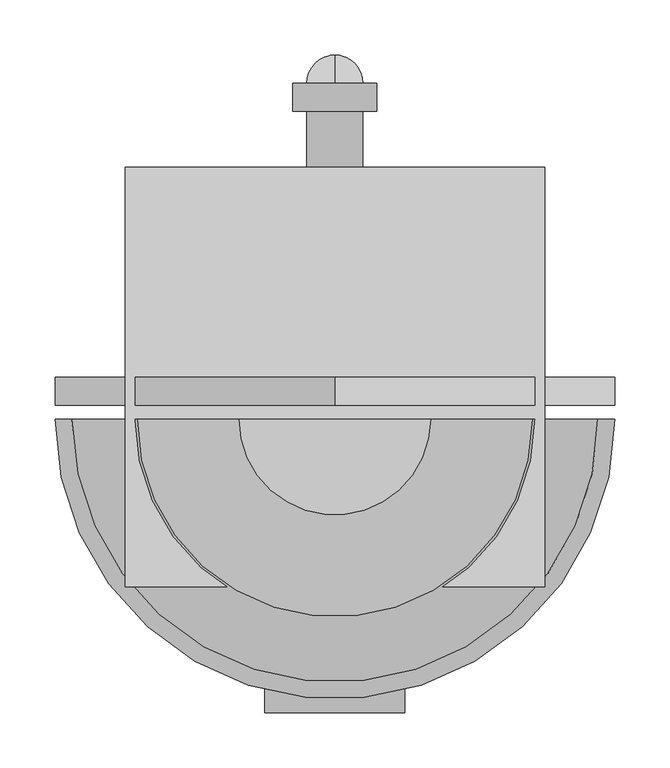
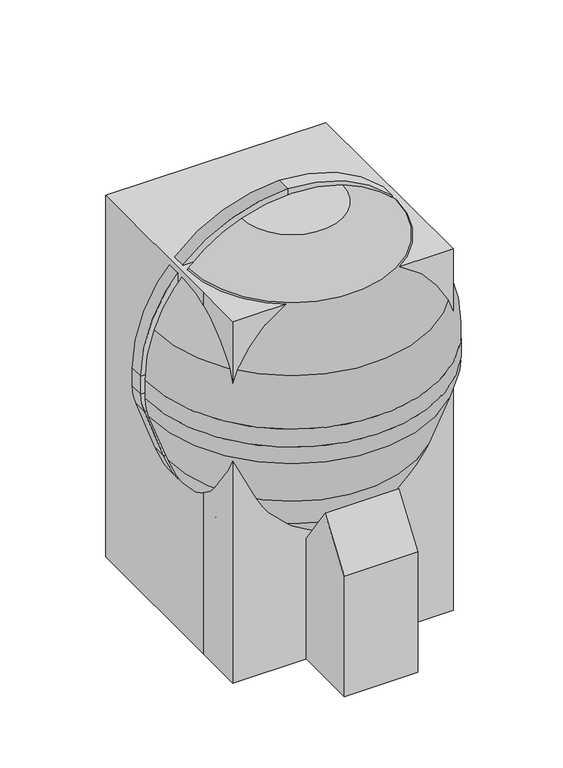
"""IFC4 building model written with IfcOpenShell, lengths in millimetres: proxy geometry."""

from ifc_helpers import new_model, si_unit, point, frame, frame_2d, origin, origin_with_axes, place, context, project, spatial, polyline, circle_curve, ellipse_curve, trimmed, segment, composite_curve, outline, extrude, source, transform, mapped, element, save
from ifc_brep_helpers import plane_surface, cylinder_surface, revolved_surface, advanced_brep


def specialty_equipment_25f166cb(model_context):
    return source(origin(), model_context, "Body", "SolidModel", [
        advanced_brep(
        [(-86.8731164, -38.1, 721.2819257), (0.0, -38.1, 736.6), (0.0, -38.1, 711.2), (-78.1858048, -38.1, 697.4137331), (-161.6446102, -38.1, 644.2446102), (-214.8137331, -38.1, 560.7858048), (-228.6, -38.1, 482.6), (-228.6, -38.1, 449.7148212), (-224.0045777, -38.1, 423.6528863), (-191.7324129, -38.1, 334.9858422), (-158.0533758, -38.1, 270.2890139), (-120.1697426, -38.1, 216.1855786), (-63.2399099, -38.1, 176.3228806), (0.0, -38.1, 159.3777978), (0.0, -38.1, 133.0817829), (-78.7437471, -38.1, 154.1811063), (-135.6735798, -38.1, 194.0438043), (-180.7778621, -38.1, 258.4593951), (-214.4568992, -38.1, 323.1562234), (-247.8727703, -38.1, 414.9655747), (-254.0, -38.1, 449.7148212), (-254.0, -38.1, 482.6), (-238.6819257, -38.1, 569.4731164), (-179.6051224, -38.1, 662.2051224), (86.8731164, -38.1, 721.2819257), (179.6051224, -38.1, 662.2051224), (238.6819257, -38.1, 569.4731164), (254.0, -38.1, 482.6), (254.0, -38.1, 449.7148212), (247.8727703, -38.1, 414.9655747), (214.4568992, -38.1, 323.1562234), (180.7778621, -38.1, 258.4593951), (135.6735798, -38.1, 194.0438043), (78.7437471, -38.1, 154.1811063), (63.2399099, -38.1, 176.3228806), (120.1697426, -38.1, 216.1855786), (158.0533758, -38.1, 270.2890139), (191.7324129, -38.1, 334.9858422), (224.0045777, -38.1, 423.6528863), (228.6, -38.1, 449.7148212), (228.6, -38.1, 482.6), (214.8137331, -38.1, 560.7858048), (161.6446102, -38.1, 644.2446102), (78.1858048, -38.1, 697.4137331)],
        [
            (0, 1, circle_curve(frame((0.0, -38.1, 482.6), z_axis=(0.0, 1.0, 0.0), x_axis=(-1.0, 0.0, 0.0)), 254.0)),
            (1, 2),
            (2, 3, circle_curve(frame((0.0, -38.1, 482.6), z_axis=(0.0, -1.0, 0.0), x_axis=(-1.0, 0.0, 0.0)), 228.6)),
            (3, 4, circle_curve(frame((0.0, -38.1, 482.6), z_axis=(0.0, -1.0, 0.0), x_axis=(-1.0, 0.0, 0.0)), 228.6)),
            (4, 5, circle_curve(frame((0.0, -38.1, 482.6), z_axis=(0.0, -1.0, 0.0), x_axis=(-1.0, 0.0, 0.0)), 228.6)),
            (5, 6, circle_curve(frame((0.0, -38.1, 482.6), z_axis=(0.0, -1.0, 0.0), x_axis=(-1.0, 0.0, 0.0)), 228.6)),
            (6, 7),
            (7, 8, circle_curve(frame((-152.4, -38.1, 449.7148212), z_axis=(0.0, -1.0, 0.0), x_axis=(-1.0, 0.0, 0.0)), 76.2)),
            (8, 9),
            (9, 10, circle_curve(frame((70.8177054, -38.1, 430.5462703), z_axis=(0.0, -1.0, 0.0), x_axis=(-1.0, 0.0, 0.0)), 279.4)),
            (10, 11),
            (11, 12, circle_curve(frame((-36.9438949, -38.1, 274.4609446), z_axis=(0.0, -1.0, 0.0), x_axis=(-1.0, 0.0, 0.0)), 101.6)),
            (12, 13),
            (13, 14),
            (14, 15),
            (15, 16, circle_curve(frame((-52.4477321, -38.1, 252.3191703), z_axis=(0.0, 1.0, 0.0), x_axis=(-1.0, 0.0, 0.0)), 101.6)),
            (16, 17),
            (17, 18, circle_curve(frame((48.0932191, -38.1, 418.7166514), z_axis=(0.0, 1.0, 0.0), x_axis=(-1.0, 0.0, 0.0)), 279.4)),
            (18, 19),
            (19, 20, circle_curve(frame((-152.4, -38.1, 449.7148212), z_axis=(0.0, 1.0, 0.0), x_axis=(-1.0, 0.0, 0.0)), 101.6)),
            (20, 21),
            (21, 22, circle_curve(frame((0.0, -38.1, 482.6), z_axis=(0.0, 1.0, 0.0), x_axis=(-1.0, 0.0, 0.0)), 254.0)),
            (22, 23, circle_curve(frame((0.0, -38.1, 482.6), z_axis=(0.0, 1.0, 0.0), x_axis=(-1.0, 0.0, 0.0)), 254.0)),
            (23, 0, circle_curve(frame((0.0, -38.1, 482.6), z_axis=(0.0, 1.0, 0.0), x_axis=(-1.0, 0.0, 0.0)), 254.0)),
            (24, 25, circle_curve(frame((0.0, -38.1, 482.6), z_axis=(0.0, 1.0, 0.0), x_axis=(1.0, 0.0, 0.0)), 254.0)),
            (25, 26, circle_curve(frame((0.0, -38.1, 482.6), z_axis=(0.0, 1.0, 0.0), x_axis=(1.0, 0.0, 0.0)), 254.0)),
            (26, 27, circle_curve(frame((0.0, -38.1, 482.6), z_axis=(0.0, 1.0, 0.0), x_axis=(1.0, 0.0, 0.0)), 254.0)),
            (27, 28),
            (28, 29, circle_curve(frame((152.4, -38.1, 449.7148212), z_axis=(0.0, 1.0, 0.0), x_axis=(1.0, 0.0, 0.0)), 101.6)),
            (29, 30),
            (30, 31, circle_curve(frame((-48.0932191, -38.1, 418.7166514), z_axis=(0.0, 1.0, 0.0), x_axis=(1.0, 0.0, 0.0)), 279.4)),
            (31, 32),
            (32, 33, circle_curve(frame((52.4477321, -38.1, 252.3191703), z_axis=(0.0, 1.0, 0.0), x_axis=(1.0, 0.0, 0.0)), 101.6)),
            (33, 14),
            (13, 34),
            (34, 35, circle_curve(frame((36.9438949, -38.1, 274.4609446), z_axis=(0.0, -1.0, 0.0), x_axis=(1.0, 0.0, 0.0)), 101.6)),
            (35, 36),
            (36, 37, circle_curve(frame((-70.8177054, -38.1, 430.5462703), z_axis=(0.0, -1.0, 0.0), x_axis=(1.0, 0.0, 0.0)), 279.4)),
            (37, 38),
            (38, 39, circle_curve(frame((152.4, -38.1, 449.7148212), z_axis=(0.0, -1.0, 0.0), x_axis=(1.0, 0.0, 0.0)), 76.2)),
            (39, 40),
            (40, 41, circle_curve(frame((0.0, -38.1, 482.6), z_axis=(0.0, -1.0, 0.0), x_axis=(1.0, 0.0, 0.0)), 228.6)),
            (41, 42, circle_curve(frame((0.0, -38.1, 482.6), z_axis=(0.0, -1.0, 0.0), x_axis=(1.0, 0.0, 0.0)), 228.6)),
            (42, 43, circle_curve(frame((0.0, -38.1, 482.6), z_axis=(0.0, -1.0, 0.0), x_axis=(1.0, 0.0, 0.0)), 228.6)),
            (43, 2, circle_curve(frame((0.0, -38.1, 482.6), z_axis=(0.0, -1.0, 0.0), x_axis=(1.0, 0.0, 0.0)), 228.6)),
            (1, 24, circle_curve(frame((0.0, -38.1, 482.6), z_axis=(0.0, 1.0, 0.0), x_axis=(1.0, 0.0, 0.0)), 254.0)),
            (0, 24, circle_curve(frame((0.0, -38.1, 721.2819257), z_axis=(0.0, 0.0, 1.0), x_axis=(-1.0, 0.0, 0.0)), 86.8731164)),
            (43, 3, circle_curve(frame((0.0, -38.1, 697.4137331), z_axis=(0.0, 0.0, -1.0), x_axis=(-1.0, 0.0, 0.0)), 78.1858048)),
            (42, 4, circle_curve(frame((0.0, -38.1, 644.2446102), z_axis=(0.0, 0.0, -1.0), x_axis=(-1.0, 0.0, 0.0)), 161.6446102)),
            (41, 5, circle_curve(frame((0.0, -38.1, 560.7858048), z_axis=(0.0, 0.0, -1.0), x_axis=(-1.0, 0.0, 0.0)), 214.8137331)),
            (40, 6, circle_curve(frame((0.0, -38.1, 482.6), z_axis=(0.0, 0.0, -1.0), x_axis=(-1.0, 0.0, 0.0)), 228.6)),
            (39, 7, circle_curve(frame((0.0, -38.1, 449.7148212), z_axis=(0.0, 0.0, -1.0), x_axis=(-1.0, 0.0, 0.0)), 228.6)),
            (38, 8, circle_curve(frame((0.0, -38.1, 423.6528863), z_axis=(0.0, 0.0, -1.0), x_axis=(-1.0, 0.0, 0.0)), 224.0045777)),
            (37, 9, circle_curve(frame((0.0, -38.1, 334.9858422), z_axis=(0.0, 0.0, -1.0), x_axis=(-1.0, 0.0, 0.0)), 191.7324129)),
            (36, 10, circle_curve(frame((0.0, -38.1, 270.2890139), z_axis=(0.0, 0.0, -1.0), x_axis=(-1.0, 0.0, 0.0)), 158.0533758)),
            (35, 11, circle_curve(frame((0.0, -38.1, 216.1855786), z_axis=(0.0, 0.0, -1.0), x_axis=(-1.0, 0.0, 0.0)), 120.1697426)),
            (34, 12, circle_curve(frame((0.0, -38.1, 176.3228806), z_axis=(0.0, 0.0, -1.0), x_axis=(-1.0, 0.0, 0.0)), 63.2399099)),
            (33, 15, circle_curve(frame((0.0, -38.1, 154.1811063), z_axis=(0.0, 0.0, -1.0), x_axis=(-1.0, 0.0, 0.0)), 78.7437471)),
            (32, 16, circle_curve(frame((0.0, -38.1, 194.0438043), z_axis=(0.0, 0.0, -1.0), x_axis=(-1.0, 0.0, 0.0)), 135.6735798)),
            (31, 17, circle_curve(frame((0.0, -38.1, 258.4593951), z_axis=(0.0, 0.0, -1.0), x_axis=(-1.0, 0.0, 0.0)), 180.7778621)),
            (30, 18, circle_curve(frame((0.0, -38.1, 323.1562234), z_axis=(0.0, 0.0, -1.0), x_axis=(-1.0, 0.0, 0.0)), 214.4568992)),
            (29, 19, circle_curve(frame((0.0, -38.1, 414.9655747), z_axis=(0.0, 0.0, -1.0), x_axis=(-1.0, 0.0, 0.0)), 247.8727703)),
            (28, 20, circle_curve(frame((0.0, -38.1, 449.7148212), z_axis=(0.0, 0.0, -1.0), x_axis=(-1.0, 0.0, 0.0)), 254.0)),
            (27, 21, circle_curve(frame((0.0, -38.1, 482.6), z_axis=(0.0, 0.0, -1.0), x_axis=(-1.0, 0.0, 0.0)), 254.0)),
            (26, 22, circle_curve(frame((0.0, -38.1, 569.4731164), z_axis=(0.0, 0.0, -1.0), x_axis=(-1.0, 0.0, 0.0)), 238.6819257)),
            (25, 23, circle_curve(frame((0.0, -38.1, 662.2051224), z_axis=(0.0, 0.0, -1.0), x_axis=(-1.0, 0.0, 0.0)), 179.6051224)),
        ],
        [
            plane_surface(frame((0.0, -38.1, 841.8102448), z_axis=(0.0, 1.0, 0.0), x_axis=(-1.0, 0.0, 0.0))),
            plane_surface(frame((0.0, -38.1, 841.8102448), z_axis=(0.0, 1.0, 0.0), x_axis=(1.0, 0.0, 0.0))),
            revolved_surface(trimmed(ellipse_curve(frame((0.0, -38.1, 482.6), z_axis=(0.0, 1.0, 0.0), x_axis=(-1.0, 0.0, 0.0)), 254.0, 254.0), [point((-86.8731164, -38.1, 721.2819257))], [point((0.0, -38.1, 736.6))], True, "CARTESIAN"), (0.0, -38.1, 841.8102448), (0.0, 0.0, 1.0)),
            revolved_surface(trimmed(ellipse_curve(frame((0.0, -38.1, 482.6), z_axis=(0.0, -1.0, 0.0), x_axis=(-1.0, 0.0, 0.0)), 228.6, 228.6), [point((0.0, -38.1, 711.2))], [point((-78.1858048, -38.1, 697.4137331))], True, "CARTESIAN"), (0.0, -38.1, 841.8102448), (0.0, 0.0, 1.0)),
            revolved_surface(trimmed(ellipse_curve(frame((0.0, -38.1, 482.6), z_axis=(0.0, -1.0, 0.0), x_axis=(-1.0, 0.0, 0.0)), 228.6, 228.6), [point((-78.1858048, -38.1, 697.4137331))], [point((-161.6446102, -38.1, 644.2446102))], True, "CARTESIAN"), (0.0, -38.1, 841.8102448), (0.0, 0.0, 1.0)),
            revolved_surface(trimmed(ellipse_curve(frame((0.0, -38.1, 482.6), z_axis=(0.0, -1.0, 0.0), x_axis=(-1.0, 0.0, 0.0)), 228.6, 228.6), [point((-161.6446102, -38.1, 644.2446102))], [point((-214.8137331, -38.1, 560.7858048))], True, "CARTESIAN"), (0.0, -38.1, 841.8102448), (0.0, 0.0, 1.0)),
            revolved_surface(trimmed(ellipse_curve(frame((0.0, -38.1, 482.6), z_axis=(0.0, -1.0, 0.0), x_axis=(-1.0, 0.0, 0.0)), 228.6, 228.6), [point((-214.8137331, -38.1, 560.7858048))], [point((-228.6, -38.1, 482.6))], True, "CARTESIAN"), (0.0, -38.1, 841.8102448), (0.0, 0.0, 1.0)),
            revolved_surface(polyline([(-228.6, -38.1, 482.6), (-228.6, -38.1, 449.7148212)]), (0.0, -38.1, 841.8102448), (0.0, 0.0, 1.0)),
            revolved_surface(trimmed(ellipse_curve(frame((-152.4, -38.1, 449.7148212), z_axis=(0.0, -1.0, 0.0), x_axis=(-1.0, 0.0, 0.0)), 76.2, 76.2), [point((-228.6, -38.1, 449.7148212))], [point((-224.0045777, -38.1, 423.6528863))], True, "CARTESIAN"), (0.0, -38.1, 841.8102448), (0.0, 0.0, 1.0)),
            revolved_surface(polyline([(-224.0045777, -38.1, 423.6528863), (-191.7324129, -38.1, 334.9858422)]), (0.0, -38.1, 841.8102448), (0.0, 0.0, 1.0)),
            revolved_surface(trimmed(ellipse_curve(frame((70.8177054, -38.1, 430.5462703), z_axis=(0.0, -1.0, 0.0), x_axis=(-1.0, 0.0, 0.0)), 279.4, 279.4), [point((-191.7324129, -38.1, 334.9858422))], [point((-158.0533758, -38.1, 270.2890139))], True, "CARTESIAN"), (0.0, -38.1, 841.8102448), (0.0, 0.0, 1.0)),
            revolved_surface(polyline([(-158.0533758, -38.1, 270.2890139), (-120.1697426, -38.1, 216.1855786)]), (0.0, -38.1, 841.8102448), (0.0, 0.0, 1.0)),
            revolved_surface(trimmed(ellipse_curve(frame((-36.9438949, -38.1, 274.4609446), z_axis=(0.0, -1.0, 0.0), x_axis=(-1.0, 0.0, 0.0)), 101.6, 101.6), [point((-120.1697426, -38.1, 216.1855786))], [point((-63.2399099, -38.1, 176.3228806))], True, "CARTESIAN"), (0.0, -38.1, 841.8102448), (0.0, 0.0, 1.0)),
            revolved_surface(polyline([(-63.2399099, -38.1, 176.3228806), (0.0, -38.1, 159.3777978)]), (0.0, -38.1, 841.8102448), (0.0, 0.0, 1.0)),
            revolved_surface(polyline([(0.0, -38.1, 133.0817829), (-78.7437471, -38.1, 154.1811063)]), (0.0, -38.1, 841.8102448), (0.0, 0.0, 1.0)),
            revolved_surface(trimmed(ellipse_curve(frame((-52.4477321, -38.1, 252.3191703), z_axis=(0.0, 1.0, 0.0), x_axis=(-1.0, 0.0, 0.0)), 101.6, 101.6), [point((-78.7437471, -38.1, 154.1811063))], [point((-135.6735798, -38.1, 194.0438043))], True, "CARTESIAN"), (0.0, -38.1, 841.8102448), (0.0, 0.0, 1.0)),
            revolved_surface(polyline([(-135.6735798, -38.1, 194.0438043), (-180.7778621, -38.1, 258.4593951)]), (0.0, -38.1, 841.8102448), (0.0, 0.0, 1.0)),
            revolved_surface(trimmed(ellipse_curve(frame((48.0932191, -38.1, 418.7166514), z_axis=(0.0, 1.0, 0.0), x_axis=(-1.0, 0.0, 0.0)), 279.4, 279.4), [point((-180.7778621, -38.1, 258.4593951))], [point((-214.4568992, -38.1, 323.1562234))], True, "CARTESIAN"), (0.0, -38.1, 841.8102448), (0.0, 0.0, 1.0)),
            revolved_surface(polyline([(-214.4568992, -38.1, 323.1562234), (-247.8727703, -38.1, 414.9655747)]), (0.0, -38.1, 841.8102448), (0.0, 0.0, 1.0)),
            revolved_surface(trimmed(ellipse_curve(frame((-152.4, -38.1, 449.7148212), z_axis=(0.0, 1.0, 0.0), x_axis=(-1.0, 0.0, 0.0)), 101.6, 101.6), [point((-247.8727703, -38.1, 414.9655747))], [point((-254.0, -38.1, 449.7148212))], True, "CARTESIAN"), (0.0, -38.1, 841.8102448), (0.0, 0.0, 1.0)),
            cylinder_surface(frame((0.0, -38.1, 841.8102448), z_axis=(0.0, 0.0, 1.0), x_axis=(-1.0, 0.0, 0.0)), 254.0),
            revolved_surface(trimmed(ellipse_curve(frame((0.0, -38.1, 482.6), z_axis=(0.0, 1.0, 0.0), x_axis=(-1.0, 0.0, 0.0)), 254.0, 254.0), [point((-254.0, -38.1, 482.6))], [point((-238.6819257, -38.1, 569.4731164))], True, "CARTESIAN"), (0.0, -38.1, 841.8102448), (0.0, 0.0, 1.0)),
            revolved_surface(trimmed(ellipse_curve(frame((0.0, -38.1, 482.6), z_axis=(0.0, 1.0, 0.0), x_axis=(-1.0, 0.0, 0.0)), 254.0, 254.0), [point((-238.6819257, -38.1, 569.4731164))], [point((-179.6051224, -38.1, 662.2051224))], True, "CARTESIAN"), (0.0, -38.1, 841.8102448), (0.0, 0.0, 1.0)),
            revolved_surface(trimmed(ellipse_curve(frame((0.0, -38.1, 482.6), z_axis=(0.0, 1.0, 0.0), x_axis=(-1.0, 0.0, 0.0)), 254.0, 254.0), [point((-179.6051224, -38.1, 662.2051224))], [point((-86.8731164, -38.1, 721.2819257))], True, "CARTESIAN"), (0.0, -38.1, 841.8102448), (0.0, 0.0, 1.0)),
        ],
        [
            (0, [[1, 2, 3, 4, 5, 6, 7, 8, 9, 10, 11, 12, 13, 14, 15, 16, 17, 18, 19, 20, 21, 22, 23, 24]]),
            (1, [[25, 26, 27, 28, 29, 30, 31, 32, 33, 34, -14, 35, 36, 37, 38, 39, 40, 41, 42, 43, 44, 45, -2, 46]]),
            (2, [[-1, 47, -46]]),
            (3, [[48, -3, -45]]),
            (4, [[49, -4, -48, -44]]),
            (5, [[50, -5, -49, -43]]),
            (6, [[51, -6, -50, -42]]),
            (7, [[52, -7, -51, -41]]),
            (8, [[53, -8, -52, -40]]),
            (9, [[54, -9, -53, -39]]),
            (10, [[55, -10, -54, -38]]),
            (11, [[56, -11, -55, -37]]),
            (12, [[57, -12, -56, -36]]),
            (13, [[-13, -57, -35]]),
            (14, [[58, -15, -34]]),
            (15, [[59, -16, -58, -33]]),
            (16, [[60, -17, -59, -32]]),
            (17, [[61, -18, -60, -31]]),
            (18, [[62, -19, -61, -30]]),
            (19, [[63, -20, -62, -29]]),
            (20, [[64, -21, -63, -28]]),
            (21, [[65, -22, -64, -27]]),
            (22, [[66, -23, -65, -26]]),
            (23, [[-47, -24, -66, -25]]),
        ],
    ),
        extrude(outline(polyline([(245.0347495, -62.8509631), (194.0438043, -135.6735798), (169.0933226, -110.7230981), (145.0485961, -44.6607552), (145.0485961, 44.6607552), (169.0933226, 110.7230981), (194.0438043, 135.6735798), (245.0347495, 62.8509631), (245.0347495, -62.8509631)])), frame((0.0, -38.1, 0.0), z_axis=(0.0, 1.0, 0.0), x_axis=(0.0, 0.0, 1.0)), (0.0, 0.0, 1.0), 12.7),
        advanced_brep(
        [(-62.8509631, -25.4, 245.0347495), (-135.6735798, -25.4, 194.0438043), (-135.6735798, 0.0, 194.0438043), (-62.8509631, 0.0, 245.0347495), (-107.9552454, -25.4, 309.4503403), (-180.7778621, -25.4, 258.4593951), (-180.7778621, 0.0, 258.4593951), (-107.9552454, 0.0, 309.4503403), (-214.4568992, -25.4, 323.1562234), (-130.9182252, -25.4, 353.5618141), (-214.4568992, 0.0, 323.1562234), (-130.9182252, 0.0, 353.5618141), (-164.3340963, -25.4, 445.3711654), (-247.8727703, -25.4, 414.9655747), (-247.8727703, 0.0, 414.9655747), (-164.3340963, 0.0, 445.3711654), (-254.0, -25.4, 449.7148212), (-165.1, -25.4, 449.7148212), (-254.0, 0.0, 449.7148212), (-165.1, 0.0, 449.7148212), (-165.1, -25.4, 482.6), (-254.0, -25.4, 482.6), (-254.0, 0.0, 482.6), (-165.1, 0.0, 482.6), (0.0, -25.4, 736.6), (0.0, -25.4, 647.7), (0.0, 0.0, 736.6), (0.0, 0.0, 647.7), (254.0, -25.4, 482.6), (165.1, -25.4, 482.6), (254.0, 0.0, 482.6), (165.1, 0.0, 482.6), (165.1, -25.4, 449.7148212), (254.0, -25.4, 449.7148212), (254.0, 0.0, 449.7148212), (165.1, 0.0, 449.7148212), (247.8727703, -25.4, 414.9655747), (164.3340963, -25.4, 445.3711654), (247.8727703, 0.0, 414.9655747), (164.3340963, 0.0, 445.3711654), (130.9182252, -25.4, 353.5618141), (214.4568992, -25.4, 323.1562234), (214.4568992, 0.0, 323.1562234), (130.9182252, 0.0, 353.5618141), (180.7778621, -25.4, 258.4593951), (107.9552454, -25.4, 309.4503403), (180.7778621, 0.0, 258.4593951), (107.9552454, 0.0, 309.4503403), (62.8509631, -25.4, 245.0347495), (62.8509631, 0.0, 245.0347495), (135.6735798, 0.0, 194.0438043), (135.6735798, -25.4, 194.0438043)],
        [
            (0, 1),
            (1, 2),
            (2, 3),
            (3, 0),
            (0, 4),
            (4, 5),
            (5, 1),
            (5, 6),
            (6, 2),
            (6, 7),
            (7, 3),
            (7, 4),
            (8, 5, circle_curve(frame((48.0932191, -25.4, 418.7166514), z_axis=(0.0, -1.0, 0.0), x_axis=(-0.81915204428899, 0.0, -0.5735764363510486)), 279.4)),
            (4, 9, circle_curve(frame((48.0932191, -25.4, 418.7166514), z_axis=(0.0, 1.0, 0.0), x_axis=(-0.81915204428899, 0.0, -0.5735764363510486)), 190.5)),
            (9, 8),
            (10, 6, circle_curve(frame((48.0932191, 0.0, 418.7166514), z_axis=(0.0, -1.0, 0.0), x_axis=(-0.81915204428899, 0.0, -0.5735764363510486)), 279.4)),
            (8, 10),
            (11, 7, circle_curve(frame((48.0932191, 0.0, 418.7166514), z_axis=(0.0, -1.0, 0.0), x_axis=(-0.81915204428899, 0.0, -0.5735764363510486)), 190.5)),
            (10, 11),
            (11, 9),
            (9, 12),
            (12, 13),
            (13, 8),
            (13, 14),
            (14, 10),
            (14, 15),
            (15, 11),
            (15, 12),
            (16, 13, circle_curve(frame((-152.4, -25.4, 449.7148212), z_axis=(0.0, -1.0, 0.0), x_axis=(-0.9396926207859067, 0.0, -0.3420201433256736)), 101.6)),
            (12, 17, circle_curve(frame((-152.4, -25.4, 449.7148212), z_axis=(0.0, 1.0, 0.0), x_axis=(-0.9396926207859067, 0.0, -0.3420201433256736)), 12.7)),
            (17, 16),
            (18, 14, circle_curve(frame((-152.4, 0.0, 449.7148212), z_axis=(0.0, -1.0, 0.0), x_axis=(-0.9396926207859067, 0.0, -0.3420201433256736)), 101.6)),
            (16, 18),
            (19, 15, circle_curve(frame((-152.4, 0.0, 449.7148212), z_axis=(0.0, -1.0, 0.0), x_axis=(-0.9396926207859067, 0.0, -0.3420201433256736)), 12.7)),
            (18, 19),
            (19, 17),
            (17, 20),
            (20, 21),
            (21, 16),
            (21, 22),
            (22, 18),
            (22, 23),
            (23, 19),
            (23, 20),
            (24, 21, circle_curve(frame((0.0, -25.4, 482.6), z_axis=(0.0, -1.0, 0.0), x_axis=(-1.0, 0.0, 0.0)), 254.0)),
            (20, 25, circle_curve(frame((0.0, -25.4, 482.6), z_axis=(0.0, 1.0, 0.0), x_axis=(-1.0, 0.0, 0.0)), 165.1)),
            (25, 24),
            (26, 22, circle_curve(frame((0.0, 0.0, 482.6), z_axis=(0.0, -1.0, 0.0), x_axis=(-1.0, 0.0, 0.0)), 254.0)),
            (24, 26),
            (27, 23, circle_curve(frame((0.0, 0.0, 482.6), z_axis=(0.0, -1.0, 0.0), x_axis=(-1.0, 0.0, 0.0)), 165.1)),
            (26, 27),
            (27, 25),
            (28, 24, circle_curve(frame((0.0, -25.4, 482.6), z_axis=(0.0, -1.0, 0.0), x_axis=(0.0, 0.0, 1.0)), 254.0)),
            (25, 29, circle_curve(frame((0.0, -25.4, 482.6), z_axis=(0.0, 1.0, 0.0), x_axis=(0.0, 0.0, 1.0)), 165.1)),
            (29, 28),
            (30, 26, circle_curve(frame((0.0, 0.0, 482.6), z_axis=(0.0, -1.0, 0.0), x_axis=(0.0, 0.0, 1.0)), 254.0)),
            (28, 30),
            (31, 27, circle_curve(frame((0.0, 0.0, 482.6), z_axis=(0.0, -1.0, 0.0), x_axis=(0.0, 0.0, 1.0)), 165.1)),
            (30, 31),
            (31, 29),
            (29, 32),
            (32, 33),
            (33, 28),
            (33, 34),
            (34, 30),
            (34, 35),
            (35, 31),
            (35, 32),
            (36, 33, circle_curve(frame((152.4, -25.4, 449.7148212), z_axis=(0.0, -1.0, 0.0), x_axis=(1.0, 0.0, 0.0)), 101.6)),
            (32, 37, circle_curve(frame((152.4, -25.4, 449.7148212), z_axis=(0.0, 1.0, 0.0), x_axis=(1.0, 0.0, 0.0)), 12.7)),
            (37, 36),
            (38, 34, circle_curve(frame((152.4, 0.0, 449.7148212), z_axis=(0.0, -1.0, 0.0), x_axis=(1.0, 0.0, 0.0)), 101.6)),
            (36, 38),
            (39, 35, circle_curve(frame((152.4, 0.0, 449.7148212), z_axis=(0.0, -1.0, 0.0), x_axis=(1.0, 0.0, 0.0)), 12.7)),
            (38, 39),
            (39, 37),
            (37, 40),
            (40, 41),
            (41, 36),
            (41, 42),
            (42, 38),
            (42, 43),
            (43, 39),
            (43, 40),
            (44, 41, circle_curve(frame((-48.0932191, -25.4, 418.7166514), z_axis=(0.0, -1.0, 0.0), x_axis=(0.9396926207859088, 0.0, -0.3420201433256676)), 279.4)),
            (40, 45, circle_curve(frame((-48.0932191, -25.4, 418.7166514), z_axis=(0.0, 1.0, 0.0), x_axis=(0.9396926207859088, 0.0, -0.3420201433256676)), 190.5)),
            (45, 44),
            (46, 42, circle_curve(frame((-48.0932191, 0.0, 418.7166514), z_axis=(0.0, -1.0, 0.0), x_axis=(0.9396926207859088, 0.0, -0.3420201433256676)), 279.4)),
            (44, 46),
            (47, 43, circle_curve(frame((-48.0932191, 0.0, 418.7166514), z_axis=(0.0, -1.0, 0.0), x_axis=(0.9396926207859088, 0.0, -0.3420201433256676)), 190.5)),
            (46, 47),
            (47, 45),
            (48, 49),
            (49, 50),
            (50, 51),
            (51, 48),
            (45, 48),
            (51, 44),
            (50, 46),
            (49, 47),
        ],
        [
            plane_surface(frame((-135.6735798, -134.8203184, 194.0438043), z_axis=(0.5735764363510432, 0.0, -0.8191520442889938), x_axis=(0.8191520442889938, 0.0, 0.5735764363510432))),
            plane_surface(frame((-62.8509631, -25.4, 245.0347495), z_axis=(0.0, -1.0, 0.0), x_axis=(-0.5735764363510427, 0.0, 0.8191520442889941))),
            plane_surface(frame((-135.6735798, -25.4, 194.0438043), z_axis=(-0.819152044288994, 0.0, -0.5735764363510429), x_axis=(-0.5735764363510429, 0.0, 0.819152044288994))),
            plane_surface(frame((-135.6735798, 0.0, 194.0438043), z_axis=(0.0, 1.0000000000000002, 0.0), x_axis=(-0.5735764363510432, 0.0, 0.8191520442889939))),
            plane_surface(frame((-62.8509631, 0.0, 245.0347495), z_axis=(0.8191520442889939, 0.0, 0.5735764363510432), x_axis=(-0.5735764363510432, 0.0, 0.8191520442889939))),
            plane_surface(frame((48.0932191, -25.4, 418.7166514), z_axis=(0.0, -1.0, 0.0), x_axis=(-0.81915204428899, 0.0, -0.5735764363510486))),
            cylinder_surface(frame((48.0932191, -38.1, 418.7166514), z_axis=(0.0, 1.0, 0.0), x_axis=(-0.81915204428899, 0.0, -0.5735764363510486)), 279.4),
            plane_surface(frame((48.0932191, 0.0, 418.7166514), z_axis=(0.0, 1.0, 0.0), x_axis=(-0.81915204428899, 0.0, -0.5735764363510486))),
            revolved_surface(polyline([(-107.95524533705259, 0.0, 309.4503402751252), (-107.95524533705259, -25.4, 309.4503402751252)]), (48.0932191, -38.1, 418.7166514), (0.0, 1.0, 0.0)),
            plane_surface(frame((-130.9182252, -25.4, 353.5618141), z_axis=(0.0, -1.0, 0.0), x_axis=(-0.34202014332566844, 0.0, 0.9396926207859085))),
            plane_surface(frame((-214.4568992, -25.4, 323.1562234), z_axis=(-0.9396926207859086, 0.0, -0.3420201433256682), x_axis=(-0.3420201433256682, 0.0, 0.9396926207859086))),
            plane_surface(frame((-214.4568992, 0.0, 323.1562234), z_axis=(0.0, 1.0, 0.0), x_axis=(-0.34202014332566905, 0.0, 0.9396926207859083))),
            plane_surface(frame((-130.9182252, 0.0, 353.5618141), z_axis=(0.9396926207859085, 0.0, 0.34202014332566827), x_axis=(-0.34202014332566827, 0.0, 0.9396926207859085))),
            plane_surface(frame((-152.4, -25.4, 449.7148212), z_axis=(0.0, -1.0, 0.0), x_axis=(-0.9396926207859067, 0.0, -0.3420201433256736))),
            cylinder_surface(frame((-152.4, -38.1, 449.7148212), z_axis=(0.0, 1.0, 0.0), x_axis=(-0.9396926207859067, 0.0, -0.3420201433256736)), 101.6),
            plane_surface(frame((-152.4, 0.0, 449.7148212), z_axis=(0.0, 1.0, 0.0), x_axis=(-0.9396926207859067, 0.0, -0.3420201433256736))),
            revolved_surface(polyline([(-164.334096283981, 0.0, 445.37116537976397), (-164.334096283981, -25.4, 445.37116537976397)]), (-152.4, -38.1, 449.7148212), (0.0, 1.0, 0.0)),
            plane_surface(frame((-165.1, -25.4, 449.7148212), z_axis=(0.0, -1.0, 0.0), x_axis=(0.0, 0.0, 1.0))),
            plane_surface(frame((-254.0, -25.4, 449.7148212), z_axis=(-1.0, 0.0, 0.0), x_axis=(0.0, 0.0, 1.0))),
            plane_surface(frame((-254.0, 0.0, 449.7148212), z_axis=(0.0, 1.0, 0.0), x_axis=(0.0, 0.0, 1.0))),
            plane_surface(frame((-165.1, 0.0, 449.7148212), z_axis=(1.0, 0.0, 0.0), x_axis=(0.0, 0.0, 1.0))),
            plane_surface(frame((0.0, -25.4, 482.6), z_axis=(0.0, -1.0, 0.0), x_axis=(-1.0, 0.0, 0.0))),
            cylinder_surface(frame((0.0, -38.1, 482.6), z_axis=(0.0, 1.0, 0.0), x_axis=(-1.0, 0.0, 0.0)), 254.0),
            plane_surface(frame((0.0, 0.0, 482.6), z_axis=(0.0, 1.0, 0.0), x_axis=(-1.0, 0.0, 0.0))),
            revolved_surface(polyline([(-165.1, 0.0, 482.6), (-165.1, -25.4, 482.6)]), (0.0, -38.1, 482.6), (0.0, 1.0, 0.0)),
            plane_surface(frame((0.0, -25.4, 482.6), z_axis=(0.0, -1.0, 0.0), x_axis=(0.0, 0.0, 1.0))),
            cylinder_surface(frame((0.0, -38.1, 482.6), z_axis=(0.0, 1.0, 0.0), x_axis=(0.0, 0.0, 1.0)), 254.0),
            plane_surface(frame((0.0, 0.0, 482.6), z_axis=(0.0, 1.0, 0.0), x_axis=(0.0, 0.0, 1.0))),
            revolved_surface(polyline([(0.0, 0.0, 647.7), (0.0, -25.4, 647.7)]), (0.0, -38.1, 482.6), (0.0, 1.0, 0.0)),
            plane_surface(frame((165.1, -25.4, 482.6), z_axis=(0.0, -1.0, 0.0), x_axis=(0.0, 0.0, -1.0))),
            plane_surface(frame((254.0, -25.4, 482.6), z_axis=(1.0, 0.0, 0.0), x_axis=(0.0, 0.0, -1.0))),
            plane_surface(frame((254.0, 0.0, 482.6), z_axis=(0.0, 1.0, 0.0), x_axis=(0.0, 0.0, -1.0))),
            plane_surface(frame((165.1, 0.0, 482.6), z_axis=(-1.0, 0.0, 0.0), x_axis=(0.0, 0.0, -1.0))),
            plane_surface(frame((152.4, -25.4, 449.7148212), z_axis=(0.0, -1.0, 0.0), x_axis=(1.0, 0.0, 0.0))),
            cylinder_surface(frame((152.4, -38.1, 449.7148212), z_axis=(0.0, 1.0, 0.0), x_axis=(1.0, 0.0, 0.0)), 101.6),
            plane_surface(frame((152.4, 0.0, 449.7148212), z_axis=(0.0, 1.0, 0.0), x_axis=(1.0, 0.0, 0.0))),
            revolved_surface(polyline([(165.1, 0.0, 449.7148212), (165.1, -25.4, 449.7148212)]), (152.4, -38.1, 449.7148212), (0.0, 1.0, 0.0)),
            plane_surface(frame((164.3340963, -25.4, 445.3711654), z_axis=(0.0, -1.0000000000000002, 0.0), x_axis=(-0.34202014332566755, 0.0, -0.9396926207859089))),
            plane_surface(frame((247.8727703, -25.4, 414.9655747), z_axis=(0.9396926207859088, 0.0, -0.34202014332566766), x_axis=(-0.34202014332566766, 0.0, -0.9396926207859088))),
            plane_surface(frame((247.8727703, 0.0, 414.9655747), z_axis=(0.0, 1.0, 0.0), x_axis=(-0.34202014332566766, 0.0, -0.9396926207859088))),
            plane_surface(frame((164.3340963, 0.0, 445.3711654), z_axis=(-0.9396926207859089, 0.0, 0.34202014332566755), x_axis=(-0.34202014332566755, 0.0, -0.9396926207859089))),
            plane_surface(frame((-48.0932191, -25.4, 418.7166514), z_axis=(0.0, -1.0, 0.0), x_axis=(0.9396926207859088, 0.0, -0.3420201433256676))),
            cylinder_surface(frame((-48.0932191, -38.1, 418.7166514), z_axis=(0.0, 1.0, 0.0), x_axis=(0.9396926207859088, 0.0, -0.3420201433256676)), 279.4),
            plane_surface(frame((-48.0932191, 0.0, 418.7166514), z_axis=(0.0, 1.0, 0.0), x_axis=(0.9396926207859088, 0.0, -0.3420201433256676))),
            revolved_surface(polyline([(130.91822515971563, 0.0, 353.5618140964603), (130.91822515971563, -25.4, 353.5618140964603)]), (-48.0932191, -38.1, 418.7166514), (0.0, 1.0, 0.0)),
            plane_surface(frame((135.6735798, 58.6203184, 194.0438043), z_axis=(-0.5735764363510469, 0.0, -0.8191520442889912), x_axis=(0.8191520442889912, 0.0, -0.5735764363510469))),
            plane_surface(frame((107.9552454, -25.4, 309.4503403), z_axis=(0.0, -1.0, 0.0), x_axis=(-0.573576436351046, 0.0, -0.8191520442889919))),
            plane_surface(frame((180.7778621, -25.4, 258.4593951), z_axis=(0.8191520442889914, 0.0, -0.5735764363510468), x_axis=(-0.5735764363510468, 0.0, -0.8191520442889914))),
            plane_surface(frame((180.7778621, 0.0, 258.4593951), z_axis=(0.0, 1.0, 0.0), x_axis=(-0.5735764363510468, 0.0, -0.8191520442889914))),
            plane_surface(frame((107.9552454, 0.0, 309.4503403), z_axis=(-0.8191520442889911, 0.0, 0.573576436351047), x_axis=(-0.573576436351047, 0.0, -0.8191520442889911))),
        ],
        [
            (0, [[1, 2, 3, 4]]),
            (1, [[-1, 5, 6, 7]]),
            (2, [[-2, -7, 8, 9]]),
            (3, [[-3, -9, 10, 11]]),
            (4, [[-4, -11, 12, -5]]),
            (5, [[13, -6, 14, 15]]),
            (6, [[16, -8, -13, 17]]),
            (7, [[18, -10, -16, 19]]),
            (8, [[-14, -12, -18, 20]]),
            (9, [[-15, 21, 22, 23]]),
            (10, [[-17, -23, 24, 25]]),
            (11, [[-19, -25, 26, 27]]),
            (12, [[-20, -27, 28, -21]]),
            (13, [[29, -22, 30, 31]]),
            (14, [[32, -24, -29, 33]]),
            (15, [[34, -26, -32, 35]]),
            (16, [[-30, -28, -34, 36]]),
            (17, [[-31, 37, 38, 39]]),
            (18, [[-33, -39, 40, 41]]),
            (19, [[-35, -41, 42, 43]]),
            (20, [[-36, -43, 44, -37]]),
            (21, [[45, -38, 46, 47]]),
            (22, [[48, -40, -45, 49]]),
            (23, [[50, -42, -48, 51]]),
            (24, [[-46, -44, -50, 52]]),
            (25, [[53, -47, 54, 55]]),
            (26, [[56, -49, -53, 57]]),
            (27, [[58, -51, -56, 59]]),
            (28, [[-54, -52, -58, 60]]),
            (29, [[-55, 61, 62, 63]]),
            (30, [[-57, -63, 64, 65]]),
            (31, [[-59, -65, 66, 67]]),
            (32, [[-60, -67, 68, -61]]),
            (33, [[69, -62, 70, 71]]),
            (34, [[72, -64, -69, 73]]),
            (35, [[74, -66, -72, 75]]),
            (36, [[-70, -68, -74, 76]]),
            (37, [[-71, 77, 78, 79]]),
            (38, [[-73, -79, 80, 81]]),
            (39, [[-75, -81, 82, 83]]),
            (40, [[-76, -83, 84, -77]]),
            (41, [[85, -78, 86, 87]]),
            (42, [[88, -80, -85, 89]]),
            (43, [[90, -82, -88, 91]]),
            (44, [[-86, -84, -90, 92]]),
            (45, [[93, 94, 95, 96]]),
            (46, [[-87, 97, -96, 98]]),
            (47, [[-89, -98, -95, 99]]),
            (48, [[-91, -99, -94, 100]]),
            (49, [[-92, -100, -93, -97]]),
        ],
    ),
        advanced_brep(
        [(0.0, 266.7, 44.9176912), (0.0, 266.7, 96.1528563), (0.0, 292.3175826, 70.5352737), (0.0, 266.7, 70.5352737)],
        [
            (0, 1, circle_curve(frame((0.0, 266.7, 70.5352737), z_axis=(0.0, 1.0, 0.0), x_axis=(0.0, 0.0, 1.0)), 25.6175826)),
            (1, 2, circle_curve(frame((0.0, 266.7, 70.5352737), z_axis=(-1.0, 0.0, 0.0), x_axis=(0.0, 0.0, -1.0)), 25.6175826)),
            (2, 0, circle_curve(frame((0.0, 266.7, 70.5352737), z_axis=(-1.0, 0.0, 0.0), x_axis=(0.0, 0.0, 1.0)), 25.6175826)),
            (1, 0, circle_curve(frame((0.0, 266.7, 70.5352737), z_axis=(0.0, 1.0, 0.0), x_axis=(0.0, 0.0, 1.0)), 25.6175826)),
            (3, 1),
            (0, 3),
        ],
        [
            revolved_surface(trimmed(ellipse_curve(frame((0.0, 266.7, 70.5352737), z_axis=(1.0, 0.0, 0.0), x_axis=(0.0, 0.0, -1.0)), 25.6175826, 25.6175826), [point((0.0, 292.3175826, 70.5352737))], [point((0.0, 266.7, 96.1528563))], True, "CARTESIAN"), (0.0, 331.3277273, 70.5352737), (0.0, -1.0, 0.0)),
            plane_surface(frame((0.0, 266.7, 70.5352737), z_axis=(0.0, -1.0, 0.0), x_axis=(0.0, 0.0, 1.0))),
        ],
        [
            (0, [[1, 2, 3]]),
            (0, [[4, -3, -2]]),
            (1, [[5, -1, 6]]),
            (1, [[-6, -4, -5]]),
        ],
    ),
        extrude(outline(composite_curve([segment(trimmed(circle_curve(frame_2d((70.5352737, 0.0)), 38.1), [point((70.5352737, 38.1))], [point((70.5352737, -38.1))], False, "CARTESIAN"), True, "CONTINUOUS"), segment(trimmed(circle_curve(frame_2d((70.5352737, 0.0)), 38.1), [point((70.5352737, -38.1))], [point((70.5352737, 38.1))], False, "CARTESIAN"), True, "CONTINUOUS")], self_intersect=False)), frame((0.0, 241.3, 0.0), z_axis=(0.0, 1.0, 0.0), x_axis=(0.0, 0.0, 1.0)), (0.0, 0.0, 1.0), 25.4),
        extrude(outline(composite_curve([segment(trimmed(circle_curve(frame_2d((0.0, 163.2113641)), 25.4), [point((25.4, 163.2113641))], [point((-25.4, 163.2113641))], False, "CARTESIAN"), True, "CONTINUOUS"), segment(trimmed(circle_curve(frame_2d((0.0, 163.2113641)), 25.4), [point((-25.4, 163.2113641))], [point((25.4, 163.2113641))], False, "CARTESIAN"), True, "CONTINUOUS")], self_intersect=False)), frame((0.0, 0.0, 37.30625), z_axis=(0.0, 0.0, 1.0), x_axis=(1.0, 0.0, 0.0)), (0.0, 0.0, 1.0), 70.64375),
        extrude(outline(composite_curve([segment(trimmed(circle_curve(frame_2d((70.5352737, 0.0)), 25.4), [point((70.5352737, 25.4))], [point((70.5352737, -25.4))], False, "CARTESIAN"), True, "CONTINUOUS"), segment(trimmed(circle_curve(frame_2d((70.5352737, 0.0)), 25.4), [point((70.5352737, -25.4))], [point((70.5352737, 25.4))], False, "CARTESIAN"), True, "CONTINUOUS")], self_intersect=False)), frame((0.0, -38.1, 0.0), z_axis=(0.0, 1.0, 0.0), x_axis=(0.0, 0.0, 1.0)), (0.0, 0.0, 1.0), 279.4),
        extrude(outline(polyline([(-38.1, 152.8037941), (-38.1, 0.0), (-304.8, 0.0), (-304.8, 220.0454017), (-246.9671412, 300.5426282), (-174.1229337, 196.5103185), (-111.703548, 152.8037941), (-38.1, 152.8037941)])), frame((-63.5, 0.0, 0.0), z_axis=(1.0, 0.0, 0.0), x_axis=(0.0, 1.0, 0.0)), (0.0, 0.0, 1.0), 127.0),
        extrude(outline(polyline([(-190.5, 190.5), (190.5, 190.5), (190.5, -190.5), (-190.5, -190.5), (-190.5, -101.6), (-190.5, 190.5)])), origin_with_axes(), (0.0, 0.0, 1.0), 660.4),
    ])


if __name__ == "__main__":
    model = new_model("IFC4")
    model_context = context("Model", 3, world=origin())
    ifc_project = project(units=[si_unit("LENGTHUNIT", "METRE", prefix="MILLI")], contexts=[model_context])
    site = spatial("IfcSite", under=ifc_project)
    building = spatial("IfcBuilding", under=site)
    placement = place(None, origin())
    specialty_equipment_shape = specialty_equipment_25f166cb(model_context)
    element("IfcBuildingElementProxy", 1, Name="Specialty Equipment", at=placement, inside=building, context=model_context, shape_type="MappedRepresentation", body=[
        mapped(specialty_equipment_shape, transform((0.0, 0.0, 0.0), x_axis=(1.0, 0.0, 0.0), y_axis=(0.0, 1.0, 0.0), z_axis=(0.0, 0.0, 1.0))),
    ])
    save(model, "model.ifc")
